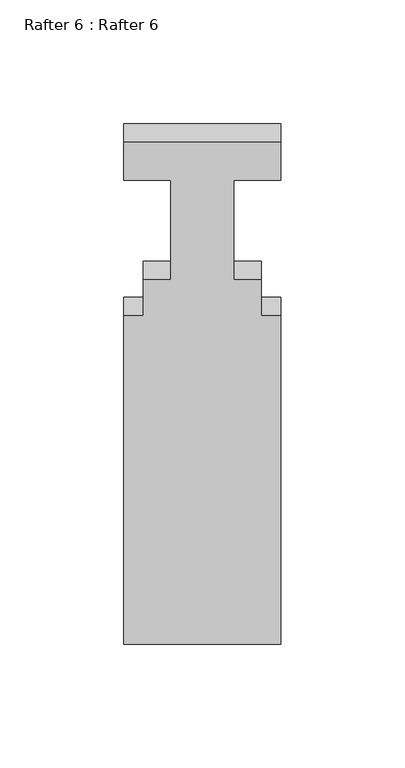
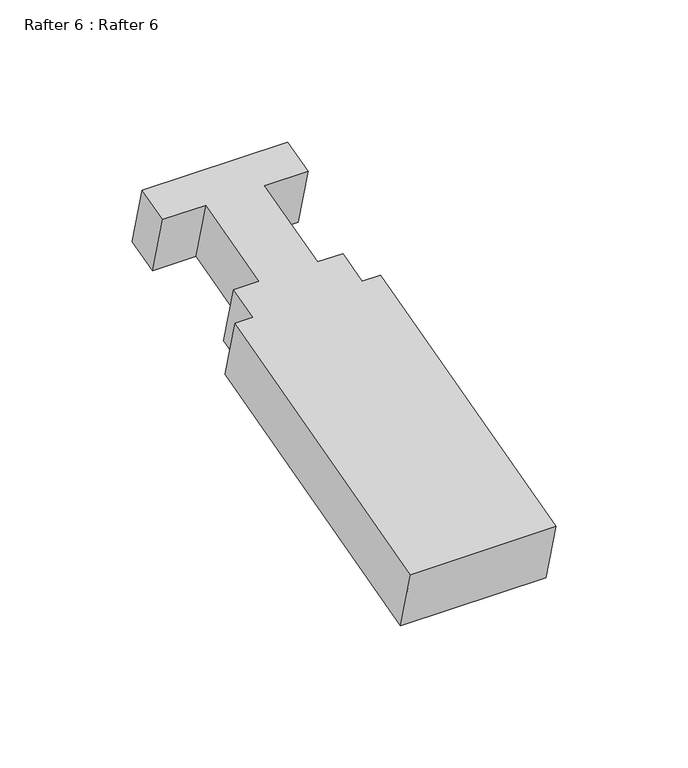
"""IFC4 building model written with IfcOpenShell, lengths in millimetres: proxy geometry, Rafter 6 : Rafter 6."""

from ifc_helpers import new_model, si_unit, frame, origin, place, context, project, spatial, polyline, outline, extrude, source, transform, mapped, element, save


def rafter_6_rafter_6_d2b4cd9c(model_context):
    return source(origin(), model_context, "Body", "SweptSolid", [
        extrude(outline(polyline([(0.0, 0.0), (15.875, 0.0), (15.875, -19.05), (57.531, -19.05), (57.531, -7.9248), (72.5932, -7.9248), (72.5932, 0.0), (209.931, 0.0), (209.931, -63.5), (72.5932, -63.5), (72.5932, -55.5752), (57.531, -55.5752), (57.531, -44.45), (15.875, -44.45), (15.875, -63.5), (0.0, -63.5), (0.0, 0.0)])), frame((-4114.0232944, 6090.4303257, 927.2215027), z_axis=(0.0, -0.2588190451025275, 0.9659258262890665), x_axis=(0.0, -0.9659258262890665, -0.2588190451025275)), (0.0, 0.0, 1.0), 29.1531507),
    ])


if __name__ == "__main__":
    model = new_model("IFC4")
    model_context = context("Model", 3, world=origin())
    ifc_project = project(units=[si_unit("LENGTHUNIT", "METRE", prefix="MILLI")], contexts=[model_context])
    site = spatial("IfcSite", under=ifc_project)
    building = spatial("IfcBuilding", under=site)
    placement = place(None, origin())
    rafter_6_rafter_6_shape = rafter_6_rafter_6_d2b4cd9c(model_context)
    element("IfcBuildingElementProxy", 1, Name="Rafter 6 : Rafter 6", ObjectType="Rafter 6 : Rafter 6", at=placement, inside=building, context=model_context, shape_type="MappedRepresentation", body=[
        mapped(rafter_6_rafter_6_shape, transform((0.0, 0.0, 0.0), x_axis=(1.0, 0.0, 0.0), y_axis=(0.0, 1.0, 0.0), z_axis=(0.0, 0.0, 1.0))),
    ])
    save(model, "model.ifc")
